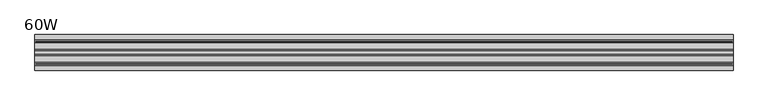
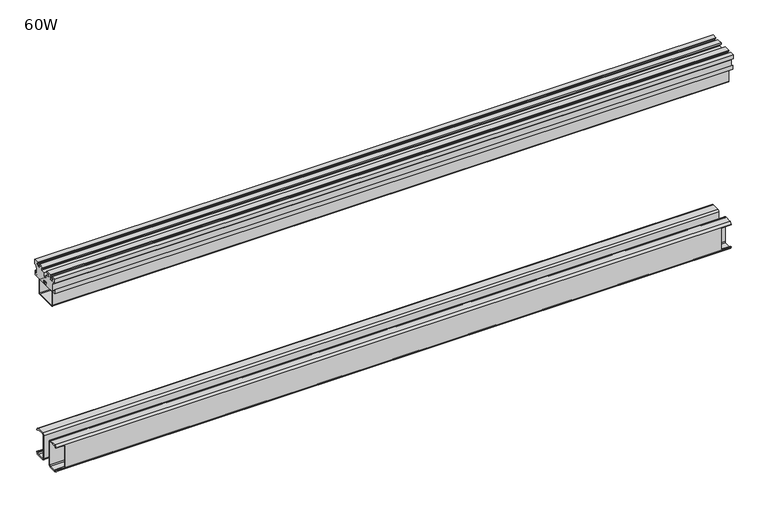
"""IFC4 building model written with IfcOpenShell, lengths in millimetres: furniture geometry, 60W."""

from ifc_helpers import new_model, si_unit, point, frame, frame_2d, origin, place, context, project, spatial, polyline, circle_curve, trimmed, segment, composite_curve, outline, extrude, source, transform, mapped, element, save
from ifc_brep_helpers import plane_surface, cylinder_surface, revolved_surface, advanced_brep


def furniture_60w_7f43a07c(model_context):
    return source(origin(), model_context, "Body", "SolidModel", [
        advanced_brep(
        [(1520.571014, -27.8809276, 104.5245283), (1520.571014, -23.4832817, 100.1268008), (1520.571014, -6.4768839, 100.1268008), (1520.571014, -2.1590002, 104.4701122), (1520.571014, -2.1590002, 106.0683077), (1520.571014, -4.2670815, 106.0683077), (1520.571014, -4.2670815, 103.9352255), (1520.571014, -6.4770001, 102.2350024), (1520.571014, -24.0483936, 102.2779322), (1520.571014, -25.77171, 104.4447967), (1520.571014, -25.77171, 159.0541147), (1520.571014, -23.2907511, 161.5165623), (1520.571014, -5.7270033, 161.3874238), (1520.571014, -4.2670815, 159.1422046), (1520.571014, -4.2670815, 157.6578004), (1520.571014, -2.1590002, 157.6578004), (1520.571014, -2.1590002, 158.9956712), (1520.571014, -6.7901329, 163.6268038), (1520.571014, -23.6397265, 163.6268038), (1520.571014, -27.8799102, 159.3866988), (3.429014, -25.77171, 159.0541147), (3.429014, -25.77171, 104.4447967), (3.429014, -24.0483936, 102.2779322), (3.429014, -6.4770001, 102.2350024), (3.429014, -4.2670815, 103.9352255), (3.429014, -4.2670815, 106.0683077), (3.429014, -2.1590002, 106.0683077), (3.429014, -2.1590002, 104.4701122), (3.429014, -6.4768839, 100.1268008), (3.429014, -23.4832817, 100.1268008), (3.429014, -27.8809276, 104.5245283), (3.429014, -27.8799102, 159.3866988), (3.429014, -23.6397265, 163.6268038), (3.429014, -6.7901329, 163.6268038), (3.429014, -2.1590002, 158.9956712), (3.429014, -2.1590002, 157.6578004), (3.429014, -4.2670815, 157.6578004), (3.429014, -4.2670815, 159.1422046), (3.429014, -5.7270033, 161.3874238), (3.429014, -23.2907511, 161.5165623), (1498.9809671, -4.2670815, 106.0683077), (1498.9809671, -4.2670815, 157.6578004), (25.0190079, -4.2670815, 157.6578004), (25.0190079, -4.2670815, 106.0683077), (25.0190079, -2.1590002, 106.0683077), (25.0190079, -2.1590002, 157.6578004), (1498.9809671, -2.1590002, 157.6578004), (1498.9809671, -2.1590002, 106.0683077)],
        [
            (0, 1, circle_curve(frame((1520.571014, -23.4832817, 104.5244467), z_axis=(1.0, 0.0, 0.0), x_axis=(0.0, 1.0, 0.0)), 4.3976459)),
            (1, 2),
            (2, 3, circle_curve(frame((1520.571014, -6.4768839, 104.4447589), z_axis=(1.0, 0.0, 0.0), x_axis=(0.0, 1.0, 0.0)), 4.3179581)),
            (3, 4),
            (4, 5),
            (5, 6),
            (6, 7),
            (7, 8),
            (8, 9),
            (9, 10),
            (10, 11, circle_curve(frame((1520.571014, -23.3091933, 159.0541147), z_axis=(-1.0, 0.0, 0.0), x_axis=(0.0, 1.0, 0.0)), 2.4625166)),
            (11, 12),
            (12, 13),
            (13, 14),
            (14, 15),
            (15, 16),
            (16, 17, circle_curve(frame((1520.571014, -6.7901329, 158.9956712), z_axis=(1.0, 0.0, 0.0), x_axis=(0.0, 1.0, 0.0)), 4.6311327)),
            (17, 18),
            (18, 19, circle_curve(frame((1520.571014, -23.6397265, 159.3866201), z_axis=(1.0, 0.0, 0.0), x_axis=(0.0, 1.0, 0.0)), 4.2401837)),
            (19, 0),
            (20, 21),
            (21, 22),
            (22, 23),
            (23, 24),
            (24, 25),
            (25, 26),
            (26, 27),
            (27, 28, circle_curve(frame((3.429014, -6.4768839, 104.4447589), z_axis=(-1.0, 0.0, 0.0), x_axis=(0.0, 1.0, 0.0)), 4.3179581)),
            (28, 29),
            (29, 30, circle_curve(frame((3.429014, -23.4832817, 104.5244467), z_axis=(-1.0, 0.0, 0.0), x_axis=(0.0, 1.0, 0.0)), 4.3976459)),
            (30, 31),
            (31, 32, circle_curve(frame((3.429014, -23.6397265, 159.3866201), z_axis=(-1.0, 0.0, 0.0), x_axis=(0.0, 1.0, 0.0)), 4.2401837)),
            (32, 33),
            (33, 34, circle_curve(frame((3.429014, -6.7901329, 158.9956712), z_axis=(-1.0, 0.0, 0.0), x_axis=(0.0, 1.0, 0.0)), 4.6311327)),
            (34, 35),
            (35, 36),
            (36, 37),
            (37, 38),
            (38, 39),
            (39, 20, circle_curve(frame((3.429014, -23.3091933, 159.0541147), z_axis=(1.0, 0.0, 0.0), x_axis=(0.0, 1.0, 0.0)), 2.4625166)),
            (0, 30),
            (29, 1),
            (28, 2),
            (27, 3),
            (6, 24),
            (23, 7),
            (22, 8),
            (21, 9),
            (20, 10),
            (39, 11),
            (38, 12),
            (37, 13),
            (5, 40),
            (40, 41),
            (41, 14),
            (36, 42),
            (42, 43),
            (43, 25),
            (26, 44),
            (44, 45),
            (45, 35),
            (34, 16),
            (15, 46),
            (46, 47),
            (47, 4),
            (33, 17),
            (32, 18),
            (31, 19),
            (42, 45),
            (44, 43),
            (40, 47),
            (46, 41),
        ],
        [
            plane_surface(frame((1520.571014, -19.0856357, 104.5244467), z_axis=(1.0, 0.0, 0.0), x_axis=(0.0, 0.0, 1.0))),
            plane_surface(frame((3.429014, -19.0856357, 104.5244467), z_axis=(-1.0, 0.0, 0.0), x_axis=(0.0, 0.0, -1.0))),
            cylinder_surface(frame((3.429014, -23.4832817, 104.5244467), z_axis=(1.0, 0.0, 0.0), x_axis=(0.0, 1.0, 0.0)), 4.3976459),
            plane_surface(frame((1520.571014, -23.4832817, 100.1268008), z_axis=(0.0, 0.0, -1.0), x_axis=(-1.0, 0.0, 0.0))),
            cylinder_surface(frame((3.429014, -6.4768839, 104.4447589), z_axis=(1.0, 0.0, 0.0), x_axis=(0.0, 1.0, 0.0)), 4.3179581),
            plane_surface(frame((1520.571014, -4.2670815, 103.9352255), z_axis=(0.0, -0.6097751311358175, 0.7925744693391887), x_axis=(-1.0, 0.0, 0.0))),
            plane_surface(frame((1520.571014, -6.4770001, 102.2350024), z_axis=(0.0, 0.002443156500791605, 0.9999970154887027), x_axis=(-1.0, 0.0, 0.0))),
            plane_surface(frame((1520.571014, -24.0483936, 102.2779322), z_axis=(0.0, 0.7826583774473511, 0.6224514954689078), x_axis=(-1.0, 0.0, 0.0))),
            plane_surface(frame((1520.571014, -25.77171, 104.4447967), z_axis=(0.0, 1.0, 0.0), x_axis=(-1.0, 0.0, 0.0))),
            revolved_surface(polyline([(3.429014, -20.8466767, 159.0541147), (1520.571014, -20.8466767, 159.0541147)]), (0.0, -23.3091933, 159.0541147), (-1.0, 0.0, 0.0)),
            plane_surface(frame((1520.571014, -23.2907511, 161.5165623), z_axis=(0.0, -0.007352360310029851, -0.9999729710336532), x_axis=(-1.0, 0.0, 0.0))),
            plane_surface(frame((1520.571014, -5.7270033, 161.3874238), z_axis=(0.0, -0.8383532943011937, -0.5451272823243543), x_axis=(-1.0, 0.0, 0.0))),
            plane_surface(frame((1520.571014, -4.2670815, 159.1422046), z_axis=(0.0, -1.0, 0.0), x_axis=(-1.0, 0.0, 0.0))),
            plane_surface(frame((1520.571014, -2.1590002, 104.4701122), z_axis=(0.0, 1.0, 0.0), x_axis=(-1.0, 0.0, 0.0))),
            cylinder_surface(frame((3.429014, -6.7901329, 158.9956712), z_axis=(1.0, 0.0, 0.0), x_axis=(0.0, 1.0, 0.0)), 4.6311327),
            plane_surface(frame((1520.571014, -6.7901329, 163.6268038), z_axis=(0.0, 0.0, 1.0), x_axis=(-1.0, 0.0, 0.0))),
            cylinder_surface(frame((3.429014, -23.6397265, 159.3866201), z_axis=(1.0, 0.0, 0.0), x_axis=(0.0, 1.0, 0.0)), 4.2401837),
            plane_surface(frame((1520.571014, -27.8799102, 159.3866988), z_axis=(0.0, -0.9999999998280449, 1.8544818383297037e-05), x_axis=(-1.0, 0.0, 0.0))),
            plane_surface(frame((25.0190079, 0.9985523, 157.6578004), z_axis=(-1.0, 0.0, 0.0), x_axis=(0.0, -1.0, 0.0))),
            plane_surface(frame((1.52399, 0.9985523, 157.6578004), z_axis=(0.0, 0.0, -1.0), x_axis=(0.0, -1.0, 0.0))),
            plane_surface(frame((25.0190079, 0.9985523, 106.0683077), z_axis=(0.0, 0.0, 1.0), x_axis=(0.0, -1.0, 0.0))),
            plane_surface(frame((1498.9809671, 1.7160013, 106.0683077), z_axis=(1.0, 0.0, 0.0), x_axis=(0.0, -1.0, 0.0))),
            plane_surface(frame((1498.9809671, 1.7160013, 157.6578004), z_axis=(0.0, 0.0, -1.0), x_axis=(0.0, -1.0, 0.0))),
            plane_surface(frame((1522.475985, 1.7160013, 106.0683077), z_axis=(0.0, 0.0, 1.0), x_axis=(0.0, -1.0, 0.0))),
        ],
        [
            (0, [[1, 2, 3, 4, 5, 6, 7, 8, 9, 10, 11, 12, 13, 14, 15, 16, 17, 18, 19, 20]]),
            (1, [[21, 22, 23, 24, 25, 26, 27, 28, 29, 30, 31, 32, 33, 34, 35, 36, 37, 38, 39, 40]]),
            (2, [[-1, 41, -30, 42]]),
            (3, [[-2, -42, -29, 43]]),
            (4, [[-3, -43, -28, 44]]),
            (5, [[-7, 45, -24, 46]]),
            (6, [[-8, -46, -23, 47]]),
            (7, [[-9, -47, -22, 48]]),
            (8, [[-10, -48, -21, 49]]),
            (9, [[-11, -49, -40, 50]]),
            (10, [[-12, -50, -39, 51]]),
            (11, [[-13, -51, -38, 52]]),
            (12, [[-45, -6, 53, 54, 55, -14, -52, -37, 56, 57, 58, -25]]),
            (13, [[-44, -27, 59, 60, 61, -35, 62, -16, 63, 64, 65, -4]]),
            (14, [[-17, -62, -34, 66]]),
            (15, [[-18, -66, -33, 67]]),
            (16, [[-19, -67, -32, 68]]),
            (17, [[-20, -68, -31, -41]]),
            (18, [[69, -60, 70, -57]]),
            (19, [[-69, -56, -36, -61]]),
            (20, [[-70, -59, -26, -58]]),
            (21, [[71, -64, 72, -54]]),
            (22, [[-72, -63, -15, -55]]),
            (23, [[-71, -53, -5, -65]]),
        ],
    ),
        advanced_brep(
        [(1520.571014, -50.2308925, 104.5245283), (1520.571014, -50.2319099, 159.3866988), (1520.571014, -54.4720936, 163.6268038), (1520.571014, -71.0007766, 163.6268038), (1520.571014, -75.6319092, 158.9956712), (1520.571014, -75.6319092, 157.6578004), (1520.571014, -73.5238279, 157.6578004), (1520.571014, -73.5238279, 159.1422046), (1520.571014, -72.0639062, 161.3874238), (1520.571014, -54.821069, 161.5165623), (1520.571014, -52.3401101, 159.0541147), (1520.571014, -52.3401101, 104.4447967), (1520.571014, -54.0634265, 102.2779322), (1520.571014, -71.3139094, 102.2350024), (1520.571014, -73.5238279, 103.9352255), (1520.571014, -73.5238279, 106.0683077), (1520.571014, -75.6319092, 106.0683077), (1520.571014, -75.6319092, 104.4701122), (1520.571014, -71.3140255, 100.1268008), (1520.571014, -54.6285384, 100.1268008), (3.429014, -52.3401101, 159.0541147), (3.429014, -54.821069, 161.5165623), (3.429014, -72.0639062, 161.3874238), (3.429014, -73.5238279, 159.1422046), (3.429014, -73.5238279, 157.6578004), (3.429014, -75.6319092, 157.6578004), (3.429014, -75.6319092, 158.9956712), (3.429014, -71.0007766, 163.6268038), (3.429014, -54.4720936, 163.6268038), (3.429014, -50.2319099, 159.3866988), (3.429014, -50.2308925, 104.5245283), (3.429014, -54.6285384, 100.1268008), (3.429014, -71.3140255, 100.1268008), (3.429014, -75.6319092, 104.4701122), (3.429014, -75.6319092, 106.0683077), (3.429014, -73.5238279, 106.0683077), (3.429014, -73.5238279, 103.9352255), (3.429014, -71.3139094, 102.2350024), (3.429014, -54.0634265, 102.2779322), (3.429014, -52.3401101, 104.4447967), (25.0190079, -75.6319092, 157.6578004), (25.0190079, -75.6319092, 106.0683077), (1498.9809671, -75.6319092, 106.0683077), (1498.9809671, -75.6319092, 157.6578004), (25.0190079, -73.5238279, 106.0683077), (25.0190079, -73.5238279, 157.6578004), (1498.9809671, -73.5238279, 157.6578004), (1498.9809671, -73.5238279, 106.0683077)],
        [
            (0, 1),
            (1, 2, circle_curve(frame((1520.571014, -54.4720936, 159.3866201), z_axis=(1.0, 0.0, 0.0), x_axis=(0.0, 1.0, 0.0)), 4.2401837)),
            (2, 3),
            (3, 4, circle_curve(frame((1520.571014, -71.0007766, 158.9956712), z_axis=(1.0, 0.0, 0.0), x_axis=(0.0, 1.0, 0.0)), 4.6311327)),
            (4, 5),
            (5, 6),
            (6, 7),
            (7, 8),
            (8, 9),
            (9, 10, circle_curve(frame((1520.571014, -54.8026267, 159.0541147), z_axis=(-1.0, 0.0, 0.0), x_axis=(0.0, 1.0, 0.0)), 2.4625166)),
            (10, 11),
            (11, 12),
            (12, 13),
            (13, 14),
            (14, 15),
            (15, 16),
            (16, 17),
            (17, 18, circle_curve(frame((1520.571014, -71.3140255, 104.4447589), z_axis=(1.0, 0.0, 0.0), x_axis=(0.0, 1.0, 0.0)), 4.3179581)),
            (18, 19),
            (19, 0, circle_curve(frame((1520.571014, -54.6285384, 104.5244467), z_axis=(1.0, 0.0, 0.0), x_axis=(0.0, 1.0, 0.0)), 4.3976459)),
            (20, 21, circle_curve(frame((3.429014, -54.8026267, 159.0541147), z_axis=(1.0, 0.0, 0.0), x_axis=(0.0, 1.0, 0.0)), 2.4625166)),
            (21, 22),
            (22, 23),
            (23, 24),
            (24, 25),
            (25, 26),
            (26, 27, circle_curve(frame((3.429014, -71.0007766, 158.9956712), z_axis=(-1.0, 0.0, 0.0), x_axis=(0.0, 1.0, 0.0)), 4.6311327)),
            (27, 28),
            (28, 29, circle_curve(frame((3.429014, -54.4720936, 159.3866201), z_axis=(-1.0, 0.0, 0.0), x_axis=(0.0, 1.0, 0.0)), 4.2401837)),
            (29, 30),
            (30, 31, circle_curve(frame((3.429014, -54.6285384, 104.5244467), z_axis=(-1.0, 0.0, 0.0), x_axis=(0.0, 1.0, 0.0)), 4.3976459)),
            (31, 32),
            (32, 33, circle_curve(frame((3.429014, -71.3140255, 104.4447589), z_axis=(-1.0, 0.0, 0.0), x_axis=(0.0, 1.0, 0.0)), 4.3179581)),
            (33, 34),
            (34, 35),
            (35, 36),
            (36, 37),
            (37, 38),
            (38, 39),
            (39, 20),
            (0, 30),
            (29, 1),
            (28, 2),
            (27, 3),
            (26, 4),
            (25, 40),
            (40, 41),
            (41, 34),
            (33, 17),
            (16, 42),
            (42, 43),
            (43, 5),
            (14, 36),
            (35, 44),
            (44, 45),
            (45, 24),
            (23, 7),
            (6, 46),
            (46, 47),
            (47, 15),
            (22, 8),
            (21, 9),
            (20, 10),
            (39, 11),
            (38, 12),
            (37, 13),
            (32, 18),
            (31, 19),
            (44, 41),
            (40, 45),
            (46, 43),
            (42, 47),
        ],
        [
            plane_surface(frame((1520.571014, -19.0856357, 104.5244467), z_axis=(1.0, 0.0, 0.0), x_axis=(0.0, 0.0, 1.0))),
            plane_surface(frame((3.429014, -19.0856357, 104.5244467), z_axis=(-1.0, 0.0, 0.0), x_axis=(0.0, 0.0, -1.0))),
            plane_surface(frame((1520.571014, -50.2308925, 104.5245283), z_axis=(0.0, 0.9999999998280449, 1.8544818383528328e-05), x_axis=(-1.0, 0.0, 0.0))),
            cylinder_surface(frame((0.0, -54.4720936, 159.3866201), z_axis=(1.0, 0.0, 0.0), x_axis=(0.0, 1.0, 0.0)), 4.2401837),
            plane_surface(frame((1520.571014, -54.4720936, 163.6268038), z_axis=(0.0, 0.0, 1.0), x_axis=(-1.0, 0.0, 0.0))),
            cylinder_surface(frame((0.0, -71.0007766, 158.9956712), z_axis=(1.0, 0.0, 0.0), x_axis=(0.0, 1.0, 0.0)), 4.6311327),
            plane_surface(frame((1520.571014, -75.6319092, 158.9956712), z_axis=(0.0, -1.0, 0.0), x_axis=(-1.0, 0.0, 0.0))),
            plane_surface(frame((1520.571014, -73.5238279, 103.9352255), z_axis=(0.0, 1.0, 0.0), x_axis=(-1.0, 0.0, 0.0))),
            plane_surface(frame((1520.571014, -73.5238279, 159.1422046), z_axis=(0.0, 0.8383532943007096, -0.5451272823250989), x_axis=(-1.0, 0.0, 0.0))),
            plane_surface(frame((1520.571014, -72.0639062, 161.3874238), z_axis=(0.0, 0.007489189274746193, -0.9999719556287602), x_axis=(-1.0, 0.0, 0.0))),
            revolved_surface(polyline([(3.429014, -52.3401101, 159.0541147), (1520.571014, -52.3401101, 159.0541147)]), (0.0, -54.8026267, 159.0541147), (-1.0, 0.0, 0.0)),
            plane_surface(frame((1520.571014, -52.3401101, 159.0541147), z_axis=(0.0, -1.0, 0.0), x_axis=(-1.0, 0.0, 0.0))),
            plane_surface(frame((1520.571014, -52.3401101, 104.4447967), z_axis=(0.0, -0.7826583774473481, 0.6224514954689115), x_axis=(-1.0, 0.0, 0.0))),
            plane_surface(frame((1520.571014, -54.0634265, 102.2779322), z_axis=(0.0, -0.0024886062497596856, 0.9999969034146724), x_axis=(-1.0, 0.0, 0.0))),
            plane_surface(frame((1520.571014, -71.3139094, 102.2350024), z_axis=(0.0, 0.6097751311358169, 0.7925744693391892), x_axis=(-1.0, 0.0, 0.0))),
            cylinder_surface(frame((0.0, -71.3140255, 104.4447589), z_axis=(1.0, 0.0, 0.0), x_axis=(0.0, 1.0, 0.0)), 4.3179581),
            plane_surface(frame((1520.571014, -71.3140255, 100.1268008), z_axis=(0.0, 0.0, -1.0), x_axis=(-1.0, 0.0, 0.0))),
            cylinder_surface(frame((0.0, -54.6285384, 104.5244467), z_axis=(1.0, 0.0, 0.0), x_axis=(0.0, 1.0, 0.0)), 4.3976459),
            plane_surface(frame((25.0190079, -78.540543, 106.0683077), z_axis=(-1.0, 0.0, 0.0), x_axis=(0.0, 1.0, 0.0))),
            plane_surface(frame((25.0190079, -78.540543, 157.6578004), z_axis=(0.0, 0.0, -1.0), x_axis=(0.0, 1.0, 0.0))),
            plane_surface(frame((1.52399, -78.540543, 106.0683077), z_axis=(0.0, 0.0, 1.0), x_axis=(0.0, 1.0, 0.0))),
            plane_surface(frame((1498.9809671, -78.540543, 157.6578004), z_axis=(1.0, 0.0, 0.0), x_axis=(0.0, 1.0, 0.0))),
            plane_surface(frame((1522.475985, -78.540543, 157.6578004), z_axis=(0.0, 0.0, -1.0), x_axis=(0.0, 1.0, 0.0))),
            plane_surface(frame((1498.9809671, -78.540543, 106.0683077), z_axis=(0.0, 0.0, 1.0), x_axis=(0.0, 1.0, 0.0))),
        ],
        [
            (0, [[1, 2, 3, 4, 5, 6, 7, 8, 9, 10, 11, 12, 13, 14, 15, 16, 17, 18, 19, 20]]),
            (1, [[21, 22, 23, 24, 25, 26, 27, 28, 29, 30, 31, 32, 33, 34, 35, 36, 37, 38, 39, 40]]),
            (2, [[-1, 41, -30, 42]]),
            (3, [[-2, -42, -29, 43]]),
            (4, [[-3, -43, -28, 44]]),
            (5, [[-4, -44, -27, 45]]),
            (6, [[-45, -26, 46, 47, 48, -34, 49, -17, 50, 51, 52, -5]]),
            (7, [[53, -36, 54, 55, 56, -24, 57, -7, 58, 59, 60, -15]]),
            (8, [[-8, -57, -23, 61]]),
            (9, [[-9, -61, -22, 62]]),
            (10, [[-10, -62, -21, 63]]),
            (11, [[-11, -63, -40, 64]]),
            (12, [[-12, -64, -39, 65]]),
            (13, [[-13, -65, -38, 66]]),
            (14, [[-14, -66, -37, -53]]),
            (15, [[-18, -49, -33, 67]]),
            (16, [[-19, -67, -32, 68]]),
            (17, [[-20, -68, -31, -41]]),
            (18, [[69, -47, 70, -55]]),
            (19, [[-70, -46, -25, -56]]),
            (20, [[-69, -54, -35, -48]]),
            (21, [[71, -51, 72, -59]]),
            (22, [[-71, -58, -6, -52]]),
            (23, [[-72, -50, -16, -60]]),
        ],
    ),
        extrude(outline(composite_curve([segment(polyline([(-60.5739048, 526.3388031), (-17.1450111, 526.3388031)]), True, "CONTINUOUS"), segment(trimmed(circle_curve(frame_2d((-17.1450111, 522.5288031)), 3.81), [point((-17.1450111, 526.3388031))], [point((-13.3350217, 522.5198041))], False, "CARTESIAN"), True, "CONTINUOUS"), segment(polyline([(-13.3350217, 522.5198041), (-13.4070141, 492.0398041)]), True, "CONTINUOUS"), segment(trimmed(circle_curve(frame_2d((-17.2170034, 492.0488031)), 3.81), [point((-13.4070141, 492.0398041))], [point((-17.2170034, 488.2388031))], False, "CARTESIAN"), True, "CONTINUOUS"), segment(polyline([(-17.2170034, 488.2388031), (-60.6458979, 488.2388031)]), True, "CONTINUOUS"), segment(trimmed(circle_curve(frame_2d((-60.6458979, 492.0488031)), 3.81), [point((-60.6458979, 488.2388031))], [point((-64.4558873, 492.0578022))], False, "CARTESIAN"), True, "CONTINUOUS"), segment(polyline([(-64.4558873, 492.0578022), (-64.3838942, 522.5378022)]), True, "CONTINUOUS"), segment(trimmed(circle_curve(frame_2d((-60.5739048, 522.5288031)), 3.81), [point((-64.3838942, 522.5378022))], [point((-60.5739048, 526.3388031))], False, "CARTESIAN"), True, "CONTINUOUS")], self_intersect=False), holes=[composite_curve([segment(polyline([(-17.1450111, 524.3068031), (-60.5739048, 524.3068031)]), True, "CONTINUOUS"), segment(trimmed(circle_curve(frame_2d((-60.5739048, 522.5288031)), 1.778), [point((-60.5739048, 524.3068031))], [point((-62.3518998, 522.5330027))], True, "CARTESIAN"), True, "CONTINUOUS"), segment(polyline([(-62.3518998, 522.5330027), (-62.423893, 492.0530027)]), True, "CONTINUOUS"), segment(trimmed(circle_curve(frame_2d((-60.6458979, 492.0488031)), 1.778), [point((-62.423893, 492.0530027))], [point((-60.6458979, 490.2708031))], True, "CARTESIAN"), True, "CONTINUOUS"), segment(polyline([(-60.6458979, 490.2708031), (-17.2170034, 490.2708031)]), True, "CONTINUOUS"), segment(trimmed(circle_curve(frame_2d((-17.2170034, 492.0488031)), 1.778), [point((-17.2170034, 490.2708031))], [point((-15.4390084, 492.0446036))], True, "CARTESIAN"), True, "CONTINUOUS"), segment(polyline([(-15.4390084, 492.0446036), (-15.367016, 522.5246036)]), True, "CONTINUOUS"), segment(trimmed(circle_curve(frame_2d((-17.1450111, 522.5288031)), 1.778), [point((-15.367016, 522.5246036))], [point((-17.1450111, 524.3068031))], True, "CARTESIAN"), True, "CONTINUOUS")], self_intersect=False)]), frame((1.52399, 0.0, 0.0), z_axis=(1.0, 0.0, 0.0), x_axis=(0.0, 1.0, 0.0)), (0.0, 0.0, 1.0), 1520.9519949),
        extrude(outline(polyline([(-18.1517104, 559.688984), (-21.1489112, 559.688984), (-21.1489112, 554.8630068), (-18.1517104, 554.8630068), (-18.1517104, 551.8150097), (-10.1761106, 551.8150097), (-10.1761106, 554.8630068), (-7.1789109, 554.8630068), (-7.1789109, 559.688984), (-10.1761106, 559.688984), (-10.1761106, 561.975), (0.0, 561.975), (0.0, 552.1959821), (-3.8100001, 552.1959821), (-7.6200001, 545.5968936), (-7.6200001, 530.6568172), (-4.9465986, 530.6568172), (-1.3969999, 536.8048755), (-1.3969999, 526.3388031), (-34.9284117, 526.3388031), (-34.9284117, 529.3868002), (-32.4519095, 529.3868002), (-32.4519095, 535.2288128), (-45.6599128, 535.2288128), (-45.6599128, 529.3868002), (-43.1834106, 529.3868002), (-43.1834106, 526.3388031), (-76.3939095, 526.3388031), (-76.3939095, 536.8048755), (-72.8443108, 530.6568172), (-70.1709093, 530.6568172), (-70.1709093, 545.5968936), (-73.9809094, 552.1959821), (-77.7909094, 552.1959821), (-77.7909094, 561.975), (-67.9357095, 561.975), (-67.9357095, 559.688984), (-70.9329092, 559.688984), (-70.9329092, 554.8630068), (-67.9357095, 554.8630068), (-67.9357095, 551.8150097), (-59.9601096, 551.8150097), (-59.9601096, 554.8630068), (-56.9629089, 554.8630068), (-56.9629089, 559.688984), (-59.9601096, 559.688984), (-59.9601096, 561.975), (-46.6759096, 561.975), (-46.6759096, 558.9270029), (-53.1529102, 558.9270029), (-53.1529102, 551.0529922), (-43.81841, 551.0529922), (-43.81841, 543.1790179), (-34.29341, 543.1790179), (-34.29341, 551.0529922), (-24.9589099, 551.0529922), (-24.9589099, 558.9270029), (-31.4359105, 558.9270029), (-31.4359105, 561.975), (-18.1517104, 561.975), (-18.1517104, 559.688984)])), frame((0.0, 0.0, 0.0), z_axis=(1.0, 0.0, 0.0), x_axis=(0.0, 1.0, 0.0)), (0.0, 0.0, 1.0), 1524.0),
    ])


if __name__ == "__main__":
    model = new_model("IFC4")
    model_context = context("Model", 3, world=origin())
    ifc_project = project(units=[si_unit("LENGTHUNIT", "METRE", prefix="MILLI")], contexts=[model_context])
    site = spatial("IfcSite", under=ifc_project)
    building = spatial("IfcBuilding", under=site)
    placement = place(None, origin())
    furniture_60w_shape = furniture_60w_7f43a07c(model_context)
    element("IfcFurniture", 1, ObjectType="60W", at=placement, inside=building, context=model_context, shape_type="MappedRepresentation", body=[
        mapped(furniture_60w_shape, transform((0.0, 0.0, 0.0), x_axis=(1.0, 0.0, 0.0), y_axis=(0.0, 1.0, 0.0), z_axis=(0.0, 0.0, 1.0))),
    ])
    save(model, "model.ifc")
